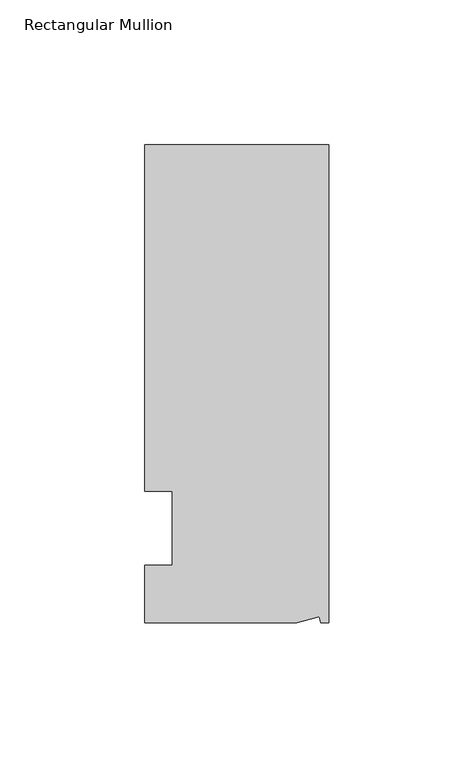
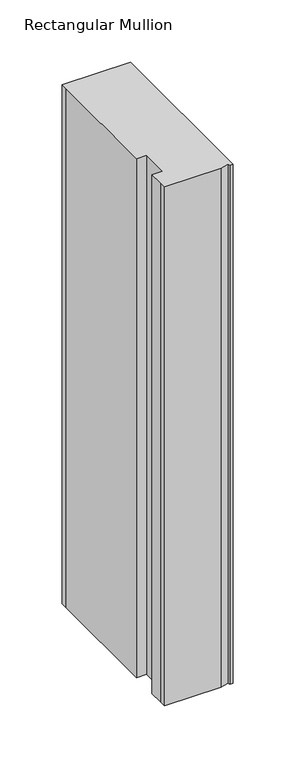
"""IFC4 building model written with IfcOpenShell, lengths in millimetres: member geometry, Rectangular Mullion."""

from ifc_helpers import new_model, si_unit, origin, place, context, project, spatial, faceted_brep, source, transform, mapped, element, save


def rectangular_mullion_bf8ecfbe(model_context):
    return source(origin(), model_context, "Body", "Brep", [
        faceted_brep([(0.0, 132.5561012, 0.0), (-63.5, 132.5561012, 0.0), (-63.5, 126.2061012, 0.0), (-63.5, 12.8488281, 0.0), (-53.975, 12.8488281, 0.0), (-53.975, -12.7, 0.0), (-63.5, -12.7, 0.0), (-63.5, -26.1938988, 0.0), (-63.5076469, -32.5438988, 0.0), (-11.1125, -32.5438988, 0.0), (-3.3223696, -30.4565397, 0.0), (-2.7630634, -32.5438988, 0.0), (0.0, -32.5438988, 0.0), (0.0, 132.5561012, -509.6488917), (0.0, -32.5438988, -509.6488917), (-2.7630634, -32.5438988, -509.6488917), (-3.3223696, -30.4565397, -509.6488917), (-11.1125, -32.5438988, -509.6488917), (-63.5076469, -32.5438988, -509.6488917), (-63.5076469, -26.1938988, -509.6488917), (-63.5, -12.7, -509.6488917), (-53.975, -12.7, -509.6488917), (-53.975, 12.8488281, -509.6488917), (-63.5, 12.8488281, -509.6488917), (-63.5, 126.2061012, -509.6488917), (-63.5, 132.5561012, -509.6488917)], [[[0, 1, 2, 3, 4, 5, 6, 7, 8, 9, 10, 11, 12]], [[13, 14, 15, 16, 17, 18, 19, 20, 21, 22, 23, 24, 25]], [[0, 12, 14, 13]], [[1, 0, 13, 25]], [[3, 2, 24, 23]], [[4, 3, 23, 22]], [[5, 4, 22, 21]], [[6, 5, 21, 20]], [[7, 6, 20, 19]], [[9, 8, 18, 17]], [[10, 9, 17, 16]], [[11, 10, 16, 15]], [[12, 11, 15, 14]], [[2, 1, 25, 24]], [[8, 7, 19, 18]]]),
    ])


if __name__ == "__main__":
    model = new_model("IFC4")
    model_context = context("Model", 3, world=origin())
    ifc_project = project(units=[si_unit("LENGTHUNIT", "METRE", prefix="MILLI")], contexts=[model_context])
    site = spatial("IfcSite", under=ifc_project)
    building = spatial("IfcBuilding", under=site)
    placement = place(None, origin())
    rectangular_mullion_shape = rectangular_mullion_bf8ecfbe(model_context)
    element("IfcMember", 1, ObjectType="Rectangular Mullion", at=placement, inside=building, context=model_context, shape_type="MappedRepresentation", body=[
        mapped(rectangular_mullion_shape, transform((0.0, 0.0, 0.0), x_axis=(1.0, 0.0, 0.0), y_axis=(0.0, 1.0, 0.0), z_axis=(0.0, 0.0, 1.0))),
    ])
    save(model, "model.ifc")
